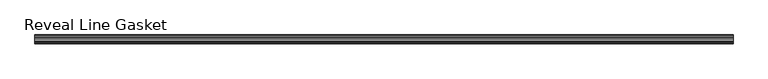
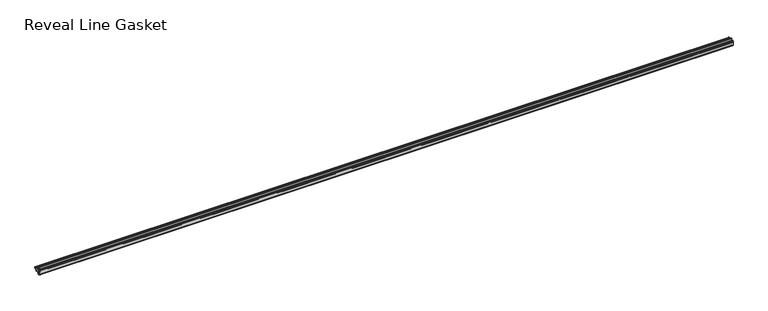
"""IFC4 building model written with IfcOpenShell, lengths in millimetres: furniture geometry, Reveal Line Gasket."""

from ifc_helpers import new_model, si_unit, point, frame, frame_2d, origin, place, context, project, spatial, polyline, circle_curve, trimmed, segment, composite_curve, outline, extrude, source, transform, mapped, element, save


def reveal_line_gasket_2fde2d4f(model_context):
    return source(origin(), model_context, "Body", "SweptSolid", [
        extrude(outline(composite_curve([segment(polyline([(-7.6326998, 1603.2), (-7.4091917, 1604.1554927), (-6.8813059, 1605.0884684)]), True, "CONTINUOUS"), segment(trimmed(circle_curve(frame_2d((-6.5243141, 1604.8864793)), 0.4101739), [point((-6.8813059, 1605.0884684))], [point((-6.1246704, 1604.7941347))], False, "CARTESIAN"), True, "CONTINUOUS"), segment(polyline([(-6.1246704, 1604.7941347), (-6.3626997, 1603.0979086), (-6.3626997, 1601.0654527)]), True, "CONTINUOUS"), segment(trimmed(circle_curve(frame_2d((-5.6959605, 1601.4819258)), 0.786124), [point((-6.3626997, 1601.0654527))], [point((-5.0926996, 1600.977875))], True, "CARTESIAN"), True, "CONTINUOUS"), segment(polyline([(-5.0926996, 1600.977875), (-0.7492996, 1600.977875), (-3.7293824, 1606.1395295)]), True, "CONTINUOUS"), segment(trimmed(circle_curve(frame_2d((-3.3132479, 1606.2049761)), 0.4212495), [point((-3.7293824, 1606.1395295))], [point((-3.0485022, 1606.5326358))], False, "CARTESIAN"), True, "CONTINUOUS"), segment(polyline([(-3.0485022, 1606.5326358), (0.5742594, 1600.977875), (4.8262978, 1600.977875), (3.1660374, 1603.8535297)]), True, "CONTINUOUS"), segment(trimmed(circle_curve(frame_2d((3.5978728, 1603.9118855)), 0.4357605), [point((3.1660374, 1603.8535297))], [point((3.864328, 1604.2566881))], False, "CARTESIAN"), True, "CONTINUOUS"), segment(polyline([(3.864328, 1604.2566881), (6.1944059, 1600.977875), (7.6326998, 1600.977875), (7.6326998, 1599.422125), (6.1944059, 1599.422125), (3.864328, 1596.1433119)]), True, "CONTINUOUS"), segment(trimmed(circle_curve(frame_2d((3.5978728, 1596.4881145)), 0.4357605), [point((3.864328, 1596.1433119))], [point((3.1660374, 1596.5464703))], False, "CARTESIAN"), True, "CONTINUOUS"), segment(polyline([(3.1660374, 1596.5464703), (4.8262978, 1599.422125), (0.5742594, 1599.422125), (-3.0485022, 1593.8673642)]), True, "CONTINUOUS"), segment(trimmed(circle_curve(frame_2d((-3.3132479, 1594.1950239)), 0.4212495), [point((-3.0485022, 1593.8673642))], [point((-3.7293824, 1594.2604705))], False, "CARTESIAN"), True, "CONTINUOUS"), segment(polyline([(-3.7293824, 1594.2604705), (-0.7492996, 1599.422125), (-5.0926996, 1599.422125)]), True, "CONTINUOUS"), segment(trimmed(circle_curve(frame_2d((-5.6959605, 1598.9180742)), 0.786124), [point((-5.0926996, 1599.422125))], [point((-6.3626997, 1599.3345473))], True, "CARTESIAN"), True, "CONTINUOUS"), segment(polyline([(-6.3626997, 1599.3345473), (-6.3626997, 1597.3020914), (-6.1246704, 1595.6058653)]), True, "CONTINUOUS"), segment(trimmed(circle_curve(frame_2d((-6.5243141, 1595.5135207)), 0.4101739), [point((-6.1246704, 1595.6058653))], [point((-6.8813059, 1595.3115316))], False, "CARTESIAN"), True, "CONTINUOUS"), segment(polyline([(-6.8813059, 1595.3115316), (-7.4091917, 1596.2445073), (-7.6326998, 1597.2), (-7.6326998, 1603.2)]), True, "CONTINUOUS")], self_intersect=False)), frame((-607.7204, 0.0, 0.0), z_axis=(1.0, 0.0, 0.0), x_axis=(0.0, 1.0, 0.0)), (0.0, 0.0, 1.0), 1215.4408),
    ])


if __name__ == "__main__":
    model = new_model("IFC4")
    model_context = context("Model", 3, world=origin())
    ifc_project = project(units=[si_unit("LENGTHUNIT", "METRE", prefix="MILLI")], contexts=[model_context])
    site = spatial("IfcSite", under=ifc_project)
    building = spatial("IfcBuilding", under=site)
    placement = place(None, origin())
    reveal_line_gasket_shape = reveal_line_gasket_2fde2d4f(model_context)
    element("IfcFurniture", 1, ObjectType="Reveal Line Gasket", at=placement, inside=building, context=model_context, shape_type="MappedRepresentation", body=[
        mapped(reveal_line_gasket_shape, transform((0.0, 0.0, 0.0), x_axis=(1.0, 0.0, 0.0), y_axis=(0.0, 1.0, 0.0), z_axis=(0.0, 0.0, 1.0))),
    ])
    save(model, "model.ifc")
